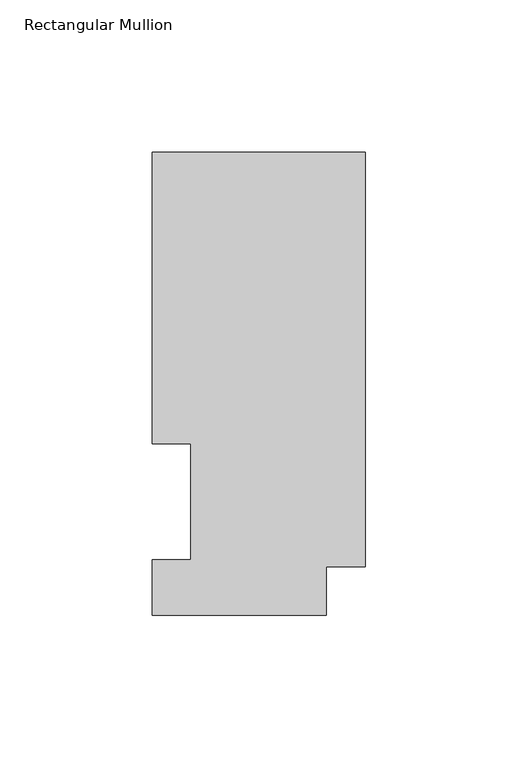
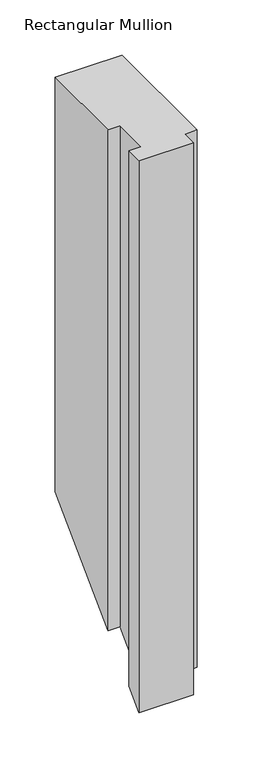
"""IFC4 building model written with IfcOpenShell, lengths in millimetres: member geometry, Rectangular Mullion."""

from ifc_helpers import new_model, si_unit, origin, place, context, project, spatial, faceted_brep, source, transform, mapped, element, save


def rectangular_mullion_13e001e1(model_context):
    return source(origin(), model_context, "Body", "Brep", [
        faceted_brep([(-69.9516, 56.35625, 0.0), (-57.2516, 56.35625, 0.0), (-57.2516, 18.25625, 0.0), (-69.9516, 18.25625, 0.0), (-69.9516, -0.03175, 0.0), (-12.8016, -0.03175, 0.0), (-12.8016, 15.86865, 0.0), (0.0, 15.86865, 0.0), (0.0, 151.98725, 0.0), (-69.9516, 151.98725, 0.0), (-69.9516, 56.35625, -553.24375), (-57.2516, 56.35625, -553.24375), (-57.2516, 18.25625, -591.34375), (-69.9516, 18.25625, -591.34375), (-69.9516, -0.03175, -609.63175), (-12.8016, -0.03175, -609.63175), (-12.8016, 15.86865, -593.73135), (0.0, 15.86865, -593.73135), (0.0, 151.98725, -457.61275), (-69.9516, 151.98725, -457.61275)], [[[0, 1, 2, 3, 4, 5, 6, 7, 8, 9]], [[1, 0, 10, 11]], [[2, 1, 11, 12]], [[3, 2, 12, 13]], [[4, 3, 13, 14]], [[5, 4, 14, 15]], [[6, 5, 15, 16]], [[7, 6, 16, 17]], [[8, 7, 17, 18]], [[9, 8, 18, 19]], [[0, 9, 19, 10]], [[10, 19, 18, 17, 16, 15, 14, 13, 12, 11]]]),
    ])


if __name__ == "__main__":
    model = new_model("IFC4")
    model_context = context("Model", 3, world=origin())
    ifc_project = project(units=[si_unit("LENGTHUNIT", "METRE", prefix="MILLI")], contexts=[model_context])
    site = spatial("IfcSite", under=ifc_project)
    building = spatial("IfcBuilding", under=site)
    placement = place(None, origin())
    rectangular_mullion_shape = rectangular_mullion_13e001e1(model_context)
    element("IfcMember", 1, ObjectType="Rectangular Mullion", at=placement, inside=building, context=model_context, shape_type="MappedRepresentation", body=[
        mapped(rectangular_mullion_shape, transform((0.0, 0.0, 0.0), x_axis=(1.0, 0.0, 0.0), y_axis=(0.0, 1.0, 0.0), z_axis=(0.0, 0.0, 1.0))),
    ])
    save(model, "model.ifc")
